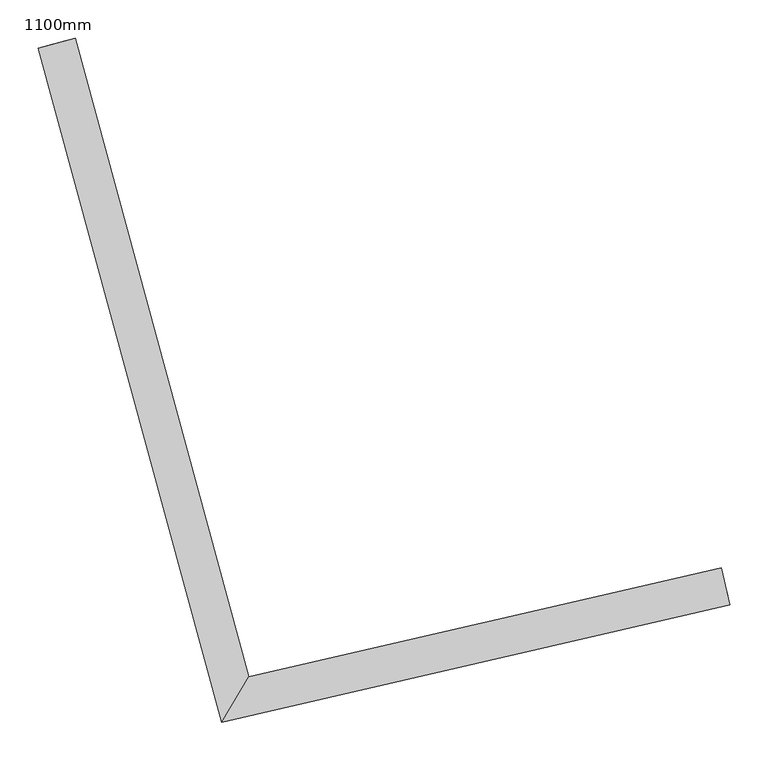
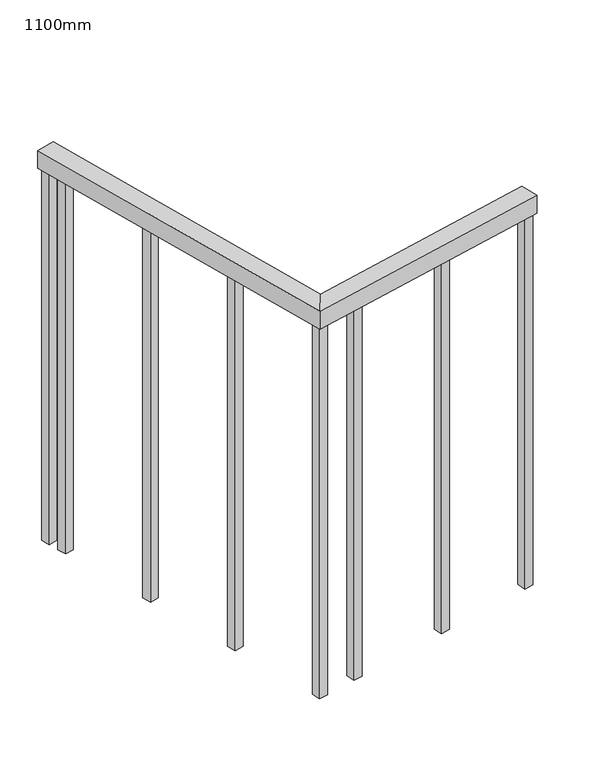
"""IFC4 building model written with IfcOpenShell, lengths in millimetres: railing geometry, 1100mm."""

from ifc_helpers import new_model, si_unit, frame, origin, place, context, project, spatial, polyline, outline, extrude, faceted_brep, source, transform, mapped, element, save


def railing_1100mm_a8b45da1(model_context):
    return source(origin(), model_context, "Body", "SolidModel", [
        faceted_brep([(97457.3163064, 55487.3890507, 1700.0), (97468.5638591, 55438.6705475, 1700.0), (97468.5638591, 55438.6705475, 1650.0), (97457.3163064, 55487.3890507, 1650.0), (96839.1695613, 55344.6786298, 1700.0), (96803.5390959, 55285.1374833, 1700.0), (96803.5390959, 55285.1374833, 1650.0), (96839.1695613, 55344.6786298, 1650.0), (96611.8728724, 56180.9280895, 1700.0), (96611.8728724, 56180.9280895, 1650.0), (96563.6234018, 56167.8136476, 1650.0), (96563.6234018, 56167.8136476, 1700.0)], [[[0, 1, 2, 3]], [[1, 0, 4, 5]], [[2, 1, 5, 6]], [[3, 2, 6, 7]], [[0, 3, 7, 4]], [[8, 9, 10, 11]], [[5, 4, 8, 11]], [[6, 5, 11, 10]], [[7, 6, 10, 9]], [[4, 7, 9, 8]]]),
        extrude(outline(polyline([(96620.3070161, 56102.2405646), (96596.1822808, 56095.6833437), (96589.6250599, 56119.808079), (96613.7497952, 56126.3652999), (96620.3070161, 56102.2405646)])), frame((0.0, 0.0, 600.0), z_axis=(0.0, 0.0, 1.0), x_axis=(1.0, 0.0, 0.0)), (0.0, 0.0, 1.0), 1050.0),
        extrude(outline(polyline([(96692.4364463, 55836.8684762), (96668.311711, 55830.3112553), (96661.7544901, 55854.4359906), (96685.8792254, 55860.9932115), (96692.4364463, 55836.8684762)])), frame((0.0, 0.0, 600.0), z_axis=(0.0, 0.0, 1.0), x_axis=(1.0, 0.0, 0.0)), (0.0, 0.0, 1.0), 1050.0),
        extrude(outline(polyline([(96764.5658765, 55571.4963878), (96740.4411412, 55564.9391669), (96733.8839203, 55589.0639022), (96758.0086556, 55595.6211231), (96764.5658765, 55571.4963878)])), frame((0.0, 0.0, 600.0), z_axis=(0.0, 0.0, 1.0), x_axis=(1.0, 0.0, 0.0)), (0.0, 0.0, 1.0), 1050.0),
        extrude(outline(polyline([(96936.4042848, 55354.2982332), (96942.0280611, 55329.9389816), (96917.6688095, 55324.3152052), (96912.0450331, 55348.6744569), (96936.4042848, 55354.2982332)])), frame((0.0, 0.0, 600.0), z_axis=(0.0, 0.0, 1.0), x_axis=(1.0, 0.0, 0.0)), (0.0, 0.0, 1.0), 1050.0),
        extrude(outline(polyline([(97204.3560526, 55416.1597732), (97209.9798289, 55391.8005215), (97185.6205773, 55386.1767452), (97179.996801, 55410.5359968), (97204.3560526, 55416.1597732)])), frame((0.0, 0.0, 600.0), z_axis=(0.0, 0.0, 1.0), x_axis=(1.0, 0.0, 0.0)), (0.0, 0.0, 1.0), 1050.0),
        extrude(outline(polyline([(96830.7220662, 55329.8995706), (96836.3458426, 55305.540319), (96811.986591, 55299.9165426), (96806.3628146, 55324.2757942), (96830.7220662, 55329.8995706)])), frame((0.0, 0.0, 600.0), z_axis=(0.0, 0.0, 1.0), x_axis=(1.0, 0.0, 0.0)), (0.0, 0.0, 1.0), 1050.0),
        extrude(outline(polyline([(96606.3677257, 56153.5247437), (96582.2429904, 56146.9675228), (96575.6857695, 56171.0922581), (96599.8105048, 56177.649479), (96606.3677257, 56153.5247437)])), frame((0.0, 0.0, 600.0), z_axis=(0.0, 0.0, 1.0), x_axis=(1.0, 0.0, 0.0)), (0.0, 0.0, 1.0), 1050.0),
        extrude(outline(polyline([(97460.1281946, 55475.2094249), (97465.7519709, 55450.8501733), (97441.3927193, 55445.2263969), (97435.768943, 55469.5856486), (97460.1281946, 55475.2094249)])), frame((0.0, 0.0, 600.0), z_axis=(0.0, 0.0, 1.0), x_axis=(1.0, 0.0, 0.0)), (0.0, 0.0, 1.0), 1050.0),
    ])


if __name__ == "__main__":
    model = new_model("IFC4")
    model_context = context("Model", 3, world=origin())
    ifc_project = project(units=[si_unit("LENGTHUNIT", "METRE", prefix="MILLI")], contexts=[model_context])
    site = spatial("IfcSite", under=ifc_project)
    building = spatial("IfcBuilding", under=site)
    placement = place(None, origin())
    railing_1100mm_shape = railing_1100mm_a8b45da1(model_context)
    element("IfcRailing", 1, ObjectType="1100mm", at=placement, inside=building, context=model_context, shape_type="MappedRepresentation", body=[
        mapped(railing_1100mm_shape, transform((0.0, 0.0, 0.0), x_axis=(1.0, 0.0, 0.0), y_axis=(0.0, 1.0, 0.0), z_axis=(0.0, 0.0, 1.0))),
    ])
    save(model, "model.ifc")
